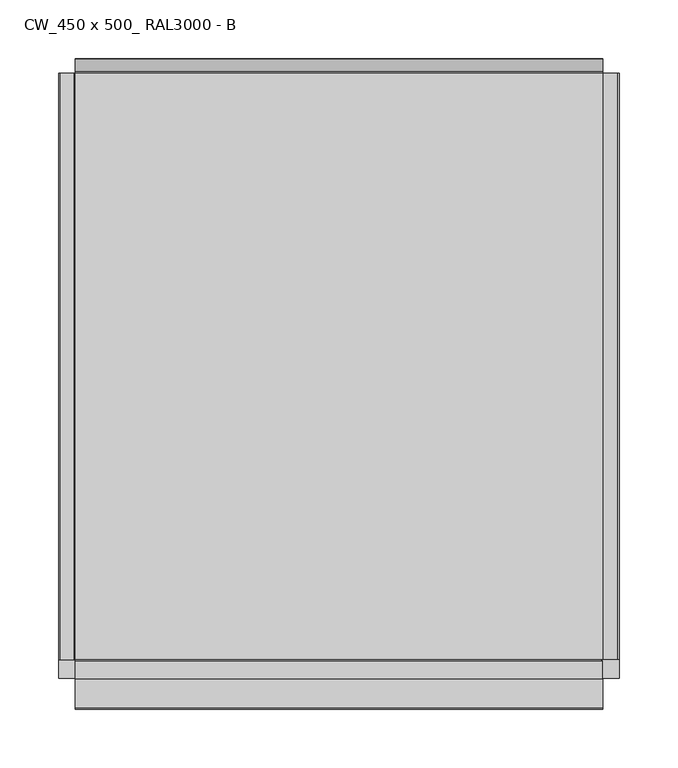
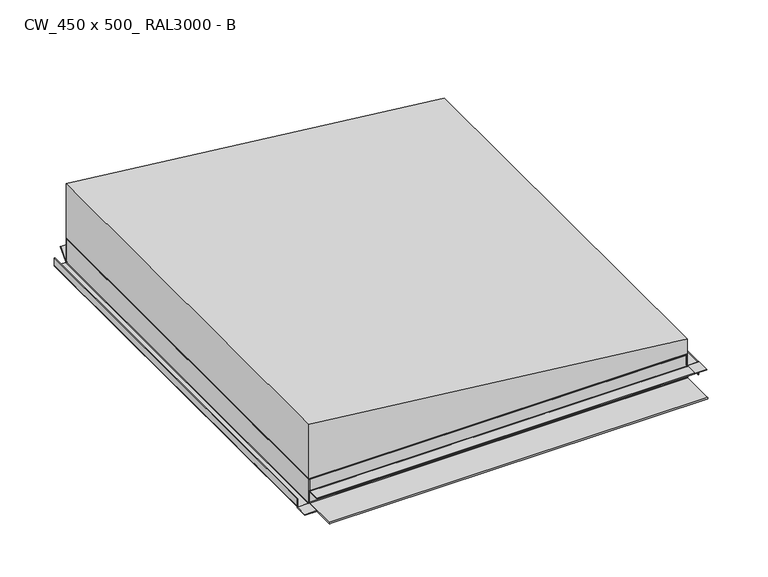
"""IFC4 building model written with IfcOpenShell, lengths in millimetres: proxy geometry, CW_450 x 500_ RAL3000 - B."""

from ifc_helpers import new_model, si_unit, frame, origin, origin_with_axes, place, context, project, spatial, polyline, circle_curve, ellipse_curve, outline, extrude, faceted_brep, source, transform, mapped, element, save
from ifc_brep_helpers import plane_surface, cylinder_surface, revolved_surface, advanced_brep


def cw_450_x_500_ral3000_b_2dae9369(model_context):
    return source(origin(), model_context, "Body", "SolidModel", [
        advanced_brep(
        [(-239.0, -250.0, 1.3), (-237.7, -250.0, 0.0), (-225.5, -250.0, 0.0), (-224.2, -250.0, 1.3), (-224.2, -250.0, 30.0), (-225.0, -250.0, 30.0), (-225.0, -250.0, 1.3), (-225.5, -250.0, 0.8), (-237.7, -250.0, 0.8), (-238.2, -250.0, 1.3), (-238.2, -250.0, 11.0), (-239.0, -250.0, 11.0), (-225.5, 250.0, 0.0), (-237.7, 250.0, 0.0), (-239.0, 250.0, 1.3), (-239.0, 250.0, 11.0), (-238.2, 250.0, 11.0), (-238.2, 250.0, 1.3), (-237.7, 250.0, 0.8), (-225.5, 250.0, 0.8), (-225.0, 250.0, 1.3), (-225.0, 250.0, 0.1), (-224.2, 249.2, 1.3), (-224.2, 249.2, 30.0), (-225.0, 249.2, 30.0), (-225.0, 249.2, 1.3)],
        [
            (0, 1, circle_curve(frame((-237.7, -250.0, 1.3), z_axis=(0.0, -1.0, 0.0), x_axis=(1.0, 0.0, 0.0)), 1.3)),
            (1, 2),
            (2, 3, circle_curve(frame((-225.5, -250.0, 1.3), z_axis=(0.0, -1.0, 0.0), x_axis=(1.0, 0.0, 0.0)), 1.3)),
            (3, 4),
            (4, 5),
            (5, 6),
            (6, 7, circle_curve(frame((-225.5, -250.0, 1.3), z_axis=(0.0, 1.0, 0.0), x_axis=(1.0, 0.0, 0.0)), 0.5)),
            (7, 8),
            (8, 9, circle_curve(frame((-237.7, -250.0, 1.3), z_axis=(0.0, 1.0, 0.0), x_axis=(1.0, 0.0, 0.0)), 0.5)),
            (9, 10),
            (10, 11),
            (11, 0),
            (12, 13),
            (13, 14, circle_curve(frame((-237.7, 250.0, 1.3), z_axis=(0.0, 1.0, 0.0), x_axis=(1.0, 0.0, 0.0)), 1.3)),
            (14, 15),
            (15, 16),
            (16, 17),
            (17, 18, circle_curve(frame((-237.7, 250.0, 1.3), z_axis=(0.0, -1.0, 0.0), x_axis=(1.0, 0.0, 0.0)), 0.5)),
            (18, 19),
            (19, 20, circle_curve(frame((-225.5, 250.0, 1.3), z_axis=(0.0, -1.0, 0.0), x_axis=(1.0, 0.0, 0.0)), 0.5)),
            (20, 21),
            (21, 12, circle_curve(frame((-225.5, 250.0, 1.3), z_axis=(0.0, 1.0, 0.0), x_axis=(1.0, 0.0, 0.0)), 1.3)),
            (1, 13),
            (12, 2),
            (21, 22, ellipse_curve(frame((-225.5, 250.5, 1.3), z_axis=(-0.7071067811865505, -0.7071067811865446, 0.0), x_axis=(0.7071067811865446, -0.7071067811865505, 0.0)), 1.8384776, 1.3)),
            (22, 3),
            (22, 23),
            (23, 4),
            (5, 24),
            (24, 25),
            (25, 6),
            (25, 20),
            (19, 7),
            (18, 8),
            (17, 9),
            (16, 10),
            (15, 11),
            (14, 0),
            (23, 24),
            (25, 21, circle_curve(frame((-225.0, 250.5, 1.3), z_axis=(1.0, 0.0, 0.0), x_axis=(0.0, 1.0, 0.0)), 1.3)),
            (25, 22),
        ],
        [
            plane_surface(frame((-236.4, -250.0, 1.3), z_axis=(0.0, -1.0, 0.0), x_axis=(0.0, 0.0, -1.0))),
            plane_surface(frame((-236.4, 250.0, 1.3), z_axis=(0.0, 1.0, 0.0), x_axis=(0.0, 0.0, 1.0))),
            plane_surface(frame((-225.5, -250.0, 0.0), z_axis=(0.0, 0.0, -1.0), x_axis=(0.0, 1.0, 0.0))),
            cylinder_surface(frame((-225.5, 250.0, 1.3), z_axis=(0.0, -1.0, 0.0), x_axis=(1.0, 0.0, 0.0)), 1.3),
            plane_surface(frame((-224.2, -250.0, 30.0), z_axis=(1.0, 0.0, 0.0), x_axis=(0.0, 1.0, 0.0))),
            plane_surface(frame((-225.0, -250.0, 1.3), z_axis=(-1.0, 0.0, 0.0), x_axis=(0.0, 1.0, 0.0))),
            revolved_surface(polyline([(-225.0, 250.0, 1.3), (-225.0, -250.0, 1.3)]), (-225.5, 250.0, 1.3), (0.0, 1.0, 0.0)),
            plane_surface(frame((-237.7, -250.0, 0.8), z_axis=(0.0, 0.0, 1.0), x_axis=(0.0, 1.0, 0.0))),
            revolved_surface(polyline([(-237.2, 250.0, 1.3), (-237.2, -250.0, 1.3)]), (-237.7, 250.0, 1.3), (0.0, 1.0, 0.0)),
            plane_surface(frame((-238.2, -250.0, 11.0), z_axis=(1.0, 0.0, 0.0), x_axis=(0.0, 1.0, 0.0))),
            plane_surface(frame((-239.0, -250.0, 11.0), z_axis=(0.0, 0.0, 1.0), x_axis=(0.0, 1.0, 0.0))),
            plane_surface(frame((-239.0, -250.0, 1.3), z_axis=(-1.0, 0.0, 0.0), x_axis=(0.0, 1.0, 0.0))),
            cylinder_surface(frame((-237.7, 250.0, 1.3), z_axis=(0.0, -1.0, 0.0), x_axis=(1.0, 0.0, 0.0)), 1.3),
            plane_surface(frame((-225.0, -250.0, 30.0), z_axis=(0.0, 0.0, 1.0), x_axis=(0.0, 1.0, 0.0))),
            plane_surface(frame((-225.0, 251.0, 1.3), z_axis=(1.0, 0.0, 0.0), x_axis=(0.0, 0.0, 1.0))),
            revolved_surface(polyline([(-226.79999997801957, 251.8, 1.3), (-224.2, 251.8, 1.3)]), (225.0, 250.5, 1.3), (-1.0, 0.0, 0.0)),
            plane_surface(frame((-225.0, 249.2, 1.3), z_axis=(0.0, 1.0, 0.0), x_axis=(1.0, 0.0, 0.0))),
        ],
        [
            (0, [[1, 2, 3, 4, 5, 6, 7, 8, 9, 10, 11, 12]]),
            (1, [[13, 14, 15, 16, 17, 18, 19, 20, 21, 22]]),
            (2, [[-2, 23, -13, 24]]),
            (3, [[-3, -24, -22, 25, 26]]),
            (4, [[-4, -26, 27, 28]]),
            (5, [[-6, 29, 30, 31]]),
            (6, [[-7, -31, 32, -20, 33]]),
            (7, [[-8, -33, -19, 34]]),
            (8, [[-9, -34, -18, 35]]),
            (9, [[-10, -35, -17, 36]]),
            (10, [[-11, -36, -16, 37]]),
            (11, [[-12, -37, -15, 38]]),
            (12, [[-1, -38, -14, -23]]),
            (13, [[-5, -28, 39, -29]]),
            (14, [[40, -21, -32]]),
            (15, [[-40, 41, -25]]),
            (16, [[-41, -30, -39, -27]]),
        ],
    ),
        extrude(outline(polyline([(-239.0, -266.0), (-239.0, -250.0), (-224.2, -250.0), (-224.2, -266.0), (-239.0, -266.0)])), origin_with_axes(), (0.0, 0.0, 1.0), 0.8),
        advanced_brep(
        [(225.5, -250.0, 15.56875), (237.7, -250.0, 15.56875), (238.2, -250.0, 15.06875), (238.2, -250.0, 0.0), (239.0, -250.0, 0.0), (239.0, -250.0, 15.06875), (237.7, -250.0, 16.36875), (225.5, -250.0, 16.36875), (225.0, -250.0, 16.86875), (225.0, -250.0, 15.66875), (225.0, 250.0, 16.86875), (225.5, 250.0, 16.36875), (237.7, 250.0, 16.36875), (239.0, 250.0, 15.06875), (239.0, 250.0, 0.0), (238.2, 250.0, 0.0), (238.2, 250.0, 15.06875), (237.7, 250.0, 15.56875), (225.5, 250.0, 15.56875), (225.0, 250.0, 15.66875), (224.2, 249.2, 30.0), (224.2, 249.2, 16.86875), (224.2, -249.2, 16.86875), (224.2, -249.2, 30.0), (225.0, -249.2, 15.66875), (225.0, 249.2, 15.66875), (225.0, 249.2, 16.86875), (225.0, -249.2, 16.86875), (225.0, 249.2, 30.0), (225.0, -249.2, 30.0)],
        [
            (0, 1),
            (1, 2, circle_curve(frame((237.7, -250.0, 15.06875), z_axis=(0.0, 1.0, 0.0), x_axis=(-1.0, 0.0, 0.0)), 0.5)),
            (2, 3),
            (3, 4),
            (4, 5),
            (5, 6, circle_curve(frame((237.7, -250.0, 15.06875), z_axis=(0.0, -1.0, 0.0), x_axis=(-1.0, 0.0, 0.0)), 1.3)),
            (6, 7),
            (7, 8, circle_curve(frame((225.5, -250.0, 16.86875), z_axis=(0.0, 1.0, 0.0), x_axis=(-1.0, 0.0, 0.0)), 0.5)),
            (8, 9),
            (9, 0, circle_curve(frame((225.5, -250.0, 16.86875), z_axis=(0.0, -1.0, 0.0), x_axis=(-1.0, 0.0, 0.0)), 1.3)),
            (10, 11, circle_curve(frame((225.5, 250.0, 16.86875), z_axis=(0.0, -1.0, 0.0), x_axis=(-1.0, 0.0, 0.0)), 0.5)),
            (11, 12),
            (12, 13, circle_curve(frame((237.7, 250.0, 15.06875), z_axis=(0.0, 1.0, 0.0), x_axis=(-1.0, 0.0, 0.0)), 1.3)),
            (13, 14),
            (14, 15),
            (15, 16),
            (16, 17, circle_curve(frame((237.7, 250.0, 15.06875), z_axis=(0.0, -1.0, 0.0), x_axis=(-1.0, 0.0, 0.0)), 0.5)),
            (17, 18),
            (18, 19, circle_curve(frame((225.5, 250.0, 16.86875), z_axis=(0.0, 1.0, 0.0), x_axis=(-1.0, 0.0, 0.0)), 1.3)),
            (19, 10),
            (20, 21),
            (21, 22),
            (22, 23),
            (23, 20),
            (18, 0),
            (9, 24),
            (24, 22, circle_curve(frame((225.5, -249.2, 16.86875), z_axis=(0.0, 1.0, 0.0), x_axis=(-1.0, 0.0, 0.0)), 1.3)),
            (21, 25, circle_curve(frame((225.5, 249.2, 16.86875), z_axis=(0.0, -1.0, 0.0), x_axis=(-1.0, 0.0, 0.0)), 1.3)),
            (25, 19),
            (17, 1),
            (16, 2),
            (15, 3),
            (14, 4),
            (13, 5),
            (12, 6),
            (11, 7),
            (10, 26),
            (26, 27),
            (27, 8),
            (26, 28),
            (28, 29),
            (29, 27),
            (28, 20),
            (23, 29),
            (25, 26),
            (27, 24),
        ],
        [
            plane_surface(frame((224.2, -250.0, 16.86875), z_axis=(0.0, -1.0, 0.0), x_axis=(0.0, 0.0, 1.0))),
            plane_surface(frame((224.2, 250.0, 16.86875), z_axis=(0.0, 1.0, 0.0), x_axis=(0.0, 0.0, -1.0))),
            plane_surface(frame((224.2, -250.0, 16.86875), z_axis=(-1.0, 0.0, 0.0), x_axis=(0.0, 1.0, 0.0))),
            cylinder_surface(frame((225.5, 250.0, 16.86875), z_axis=(0.0, -1.0, 0.0), x_axis=(-1.0, 0.0, 0.0)), 1.3),
            plane_surface(frame((237.7, -250.0, 15.56875), z_axis=(0.0, 0.0, -1.0), x_axis=(0.0, 1.0, 0.0))),
            revolved_surface(polyline([(237.2, 250.0, 15.06875), (237.2, -250.0, 15.06875)]), (237.7, 250.0, 15.06875), (0.0, 1.0, 0.0)),
            plane_surface(frame((238.2, -250.0, 0.0), z_axis=(-1.0, 0.0, 0.0), x_axis=(0.0, 1.0, 0.0))),
            plane_surface(frame((239.0, -250.0, 0.0), z_axis=(0.0, 0.0, -1.0), x_axis=(0.0, 1.0, 0.0))),
            plane_surface(frame((239.0, -250.0, 15.06875), z_axis=(1.0, 0.0, 0.0), x_axis=(0.0, 1.0, 0.0))),
            cylinder_surface(frame((237.7, 250.0, 15.06875), z_axis=(0.0, -1.0, 0.0), x_axis=(-1.0, 0.0, 0.0)), 1.3),
            plane_surface(frame((225.5, -250.0, 16.36875), z_axis=(0.0, 0.0, 1.0), x_axis=(0.0, 1.0, 0.0))),
            revolved_surface(polyline([(225.0, 250.0, 16.86875), (225.0, -250.0, 16.86875)]), (225.5, 250.0, 16.86875), (0.0, 1.0, 0.0)),
            plane_surface(frame((225.0, -250.0, 30.0), z_axis=(1.0, 0.0, 0.0), x_axis=(0.0, 1.0, 0.0))),
            plane_surface(frame((224.2, -250.0, 30.0), z_axis=(0.0, 0.0, 1.0), x_axis=(0.0, 1.0, 0.0))),
            plane_surface(frame((225.0, 251.0, 1.3), z_axis=(-1.0, 0.0, 0.0), x_axis=(0.0, 0.0, -1.0))),
            plane_surface(frame((-225.0, 249.2, 1.3), z_axis=(0.0, 1.0, 0.0), x_axis=(1.0, 0.0, 0.0))),
            plane_surface(frame((225.0, -250.5, 0.0), z_axis=(-1.0, 0.0, 0.0), x_axis=(0.0, 1.0, 0.0))),
            plane_surface(frame((-225.0, -249.2, 30.0), z_axis=(0.0, -1.0, 0.0), x_axis=(1.0, 0.0, 0.0))),
        ],
        [
            (0, [[1, 2, 3, 4, 5, 6, 7, 8, 9, 10]]),
            (1, [[11, 12, 13, 14, 15, 16, 17, 18, 19, 20]]),
            (2, [[21, 22, 23, 24]]),
            (3, [[25, -10, 26, 27, -22, 28, 29, -19]]),
            (4, [[-1, -25, -18, 30]]),
            (5, [[-2, -30, -17, 31]]),
            (6, [[-3, -31, -16, 32]]),
            (7, [[-4, -32, -15, 33]]),
            (8, [[-5, -33, -14, 34]]),
            (9, [[-6, -34, -13, 35]]),
            (10, [[-7, -35, -12, 36]]),
            (11, [[-8, -36, -11, 37, 38, 39]]),
            (12, [[40, 41, 42, -38]]),
            (13, [[43, -24, 44, -41]]),
            (14, [[45, -37, -20, -29]]),
            (15, [[-45, -28, -21, -43, -40]]),
            (16, [[46, -26, -9, -39]]),
            (17, [[-46, -42, -44, -23, -27]]),
        ],
    ),
        advanced_brep(
        [(225.0, -251.0793372, 15.56875), (225.0, -251.55, 15.9), (225.0, -266.0, 15.9), (225.0, -266.0, 16.36875), (225.0, -250.6830955, 16.36875), (225.0, -250.2609991, 15.56875), (239.0, -266.0, 15.56875), (239.0, -266.0, 16.36875), (224.2, -266.0, 15.9), (224.2, -266.0, 15.56875), (224.2, -250.0, 15.56875), (224.2, -250.0, 16.36875), (225.0, -250.0, 16.36875), (239.0, -250.0, 16.36875), (239.0, -250.0, 15.56875), (225.0, -250.0, 15.56875), (224.2, -250.6830955, 16.36875), (224.2, -251.0793372, 15.56875), (224.2, -250.2609991, 15.56875), (224.2, -251.55, 15.9)],
        [
            (0, 1, circle_curve(frame((225.0, -251.55, 15.4), z_axis=(1.0, 0.0, 0.0), x_axis=(0.0, 1.0, 0.0)), 0.5)),
            (1, 2),
            (2, 3),
            (3, 4),
            (4, 5, circle_curve(frame((225.0, -251.55, 15.4), z_axis=(-1.0, 0.0, 0.0), x_axis=(0.0, 1.0, 0.0)), 1.3)),
            (5, 0),
            (6, 7),
            (7, 3),
            (2, 8),
            (8, 9),
            (9, 6),
            (10, 11),
            (11, 12),
            (12, 13),
            (13, 14),
            (14, 15),
            (15, 10),
            (7, 13),
            (11, 16),
            (16, 4),
            (9, 17),
            (17, 0),
            (5, 18),
            (18, 10),
            (14, 6),
            (8, 19),
            (19, 17, circle_curve(frame((224.2, -251.55, 15.4), z_axis=(-1.0, 0.0, 0.0), x_axis=(0.0, 1.0, 0.0)), 0.5)),
            (19, 1),
            (16, 18, circle_curve(frame((224.2, -251.55, 15.4), z_axis=(-1.0, 0.0, 0.0), x_axis=(0.0, 1.0, 0.0)), 1.3)),
        ],
        [
            plane_surface(frame((225.0, -250.5, 0.0), z_axis=(-1.0, 0.0, 0.0), x_axis=(0.0, 1.0, 0.0))),
            plane_surface(frame((224.2, -266.0, 15.56875), z_axis=(0.0, -1.0, 0.0), x_axis=(-1.0, 0.0, 0.0))),
            plane_surface(frame((224.2, -250.0, 15.56875), z_axis=(0.0, 1.0, 0.0), x_axis=(1.0, 0.0, 0.0))),
            plane_surface(frame((224.2, -266.0, 16.36875), z_axis=(0.0, 0.0, 1.0), x_axis=(0.0, 1.0, 0.0))),
            plane_surface(frame((239.0, -266.0, 15.56875), z_axis=(0.0, 0.0, -1.0), x_axis=(0.0, 1.0, 0.0))),
            plane_surface(frame((224.2, -266.0, 15.56875), z_axis=(-1.0, 0.0, -1.0019693408305913e-12), x_axis=(0.0, 1.0, 0.0))),
            plane_surface(frame((239.0, -266.0, 16.36875), z_axis=(1.0, 0.0, 0.0), x_axis=(0.0, 1.0, 0.0))),
            cylinder_surface(frame((225.0, -251.55, 15.4), z_axis=(1.0, 0.0, 0.0), x_axis=(0.0, 1.0, 0.0)), 0.5),
            plane_surface(frame((-225.0, -251.55, 15.9), z_axis=(0.0, 0.0, 1.0), x_axis=(1.0, 0.0, 0.0))),
            revolved_surface(polyline([(224.2, -250.25, 15.4), (225.0, -250.25, 15.4)]), (225.0, -251.55, 15.4), (-1.0, 0.0, 0.0)),
        ],
        [
            (0, [[1, 2, 3, 4, 5, 6]]),
            (1, [[7, 8, -3, 9, 10, 11]]),
            (2, [[12, 13, 14, 15, 16, 17]]),
            (3, [[18, -14, -13, 19, 20, -4, -8]]),
            (4, [[-11, 21, 22, -6, 23, 24, -17, -16, 25]]),
            (5, [[-10, 26, 27, -21]]),
            (6, [[-7, -25, -15, -18]]),
            (7, [[-1, -22, -27, 28]]),
            (8, [[-2, -28, -26, -9]]),
            (9, [[-5, -20, 29, -23]]),
            (5, [[-12, -24, -29, -19]]),
        ],
    ),
        advanced_brep(
        [(-225.0, -250.5, 0.0), (-225.0, -291.65, 0.0), (-225.0, -291.65, 1.7), (-225.0, -251.55, 1.7), (-225.0, -251.05, 2.2), (-225.0, -251.05, 15.4), (-225.0, -251.55, 15.9), (-225.0, -266.25, 15.9), (-225.0, -266.25, 16.7), (-225.0, -251.55, 16.7), (-225.0, -250.25, 15.4), (-225.0, -250.25, 2.2), (-225.0, -251.55, 0.9), (-225.0, -291.65, 0.9), (-225.0, -250.5, 0.8), (-225.0, -250.0, 1.3), (-225.0, -250.0, 30.0), (-225.0, -249.2, 30.0), (-225.0, -249.2, 1.3), (225.0, -250.5, 0.0), (225.0, -249.2, 1.3), (225.0, -249.2, 15.66875), (225.0, -249.2, 16.86875), (225.0, -249.2, 30.0), (225.0, -250.0, 30.0), (225.0, -250.0, 16.86875), (225.0, -250.0, 15.66875), (225.0, -250.0, 1.3), (225.0, -250.5, 0.8), (225.0, -291.65, 0.9), (225.0, -251.55, 0.9), (225.0, -250.25, 2.2), (225.0, -250.25, 15.4), (225.0, -250.2613292, 15.5701671), (225.0, -250.682858, 16.3684525), (225.0, -251.55, 16.7), (225.0, -266.25, 16.7), (225.0, -266.25, 15.9), (225.0, -266.0, 15.9), (225.0, -251.55, 15.9), (225.0, -251.0793351, 15.5686233), (225.0, -251.05, 15.4), (225.0, -251.05, 2.2), (225.0, -251.55, 1.7), (225.0, -291.65, 1.7), (225.0, -291.65, 0.0), (224.2, -249.2, 30.0)],
        [
            (0, 1),
            (1, 2, circle_curve(frame((-225.0, -291.65, 0.85), z_axis=(-1.0, 0.0, 0.0), x_axis=(0.0, 1.0, 0.0)), 0.85)),
            (2, 3),
            (3, 4, circle_curve(frame((-225.0, -251.55, 2.2), z_axis=(1.0, 0.0, 0.0), x_axis=(0.0, 1.0, 0.0)), 0.5)),
            (4, 5),
            (5, 6, circle_curve(frame((-225.0, -251.55, 15.4), z_axis=(1.0, 0.0, 0.0), x_axis=(0.0, 1.0, 0.0)), 0.5)),
            (6, 7),
            (7, 8),
            (8, 9),
            (9, 10, circle_curve(frame((-225.0, -251.55, 15.4), z_axis=(-1.0, 0.0, 0.0), x_axis=(0.0, 1.0, 0.0)), 1.3)),
            (10, 11),
            (11, 12, circle_curve(frame((-225.0, -251.55, 2.2), z_axis=(-1.0, 0.0, 0.0), x_axis=(0.0, 1.0, 0.0)), 1.3)),
            (12, 13),
            (13, 14),
            (14, 15, circle_curve(frame((-225.0, -250.5, 1.3), z_axis=(1.0, 0.0, 0.0), x_axis=(0.0, 1.0, 0.0)), 0.5)),
            (15, 16),
            (16, 17),
            (17, 18),
            (18, 0, circle_curve(frame((-225.0, -250.5, 1.3), z_axis=(-1.0, 0.0, 0.0), x_axis=(0.0, 1.0, 0.0)), 1.3)),
            (19, 20, circle_curve(frame((225.0, -250.5, 1.3), z_axis=(1.0, 0.0, 0.0), x_axis=(0.0, 1.0, 0.0)), 1.3)),
            (20, 21),
            (21, 22),
            (22, 23),
            (23, 24),
            (24, 25),
            (25, 26),
            (26, 27),
            (27, 28, circle_curve(frame((225.0, -250.5, 1.3), z_axis=(-1.0, 0.0, 0.0), x_axis=(0.0, 1.0, 0.0)), 0.5)),
            (28, 29),
            (29, 30),
            (30, 31, circle_curve(frame((225.0, -251.55, 2.2), z_axis=(1.0, 0.0, 0.0), x_axis=(0.0, 1.0, 0.0)), 1.3)),
            (31, 32),
            (32, 33, circle_curve(frame((225.0, -251.55, 15.4), z_axis=(1.0, 0.0, 0.0), x_axis=(0.0, 1.0, 0.0)), 1.3)),
            (33, 34, circle_curve(frame((225.0, -251.55, 15.4), z_axis=(1.0, 0.0, 0.0), x_axis=(0.0, 1.0, 0.0)), 1.2998574)),
            (34, 35, circle_curve(frame((225.0, -251.55, 15.4), z_axis=(1.0, 0.0, 0.0), x_axis=(0.0, 1.0, 0.0)), 1.2999367)),
            (35, 36),
            (36, 37),
            (37, 38),
            (38, 39),
            (39, 40, circle_curve(frame((225.0, -251.55, 15.4), z_axis=(-1.0, 0.0, 0.0), x_axis=(0.0, 1.0, 0.0)), 0.5)),
            (40, 41, circle_curve(frame((225.0, -251.55, 15.4), z_axis=(-1.0, 0.0, 0.0), x_axis=(0.0, 1.0, 0.0)), 0.4999593)),
            (41, 42),
            (42, 43, circle_curve(frame((225.0, -251.55, 2.2), z_axis=(-1.0, 0.0, 0.0), x_axis=(0.0, 1.0, 0.0)), 0.5)),
            (43, 44),
            (44, 45, circle_curve(frame((225.0, -291.65, 0.85), z_axis=(1.0, 0.0, 0.0), x_axis=(0.0, 1.0, 0.0)), 0.85)),
            (45, 19),
            (17, 46),
            (46, 23),
            (20, 18),
            (19, 0),
            (45, 1),
            (44, 2),
            (43, 3),
            (42, 4),
            (41, 5),
            (39, 6),
            (37, 7),
            (36, 8),
            (35, 9),
            (32, 10),
            (31, 11),
            (30, 12),
            (29, 13),
            (28, 14),
            (27, 15),
            (24, 16),
        ],
        [
            plane_surface(frame((-225.0, -250.5, 0.0), z_axis=(-1.0, 0.0, 0.0), x_axis=(0.0, -1.0, 0.0))),
            plane_surface(frame((225.0, -250.5, 0.0), z_axis=(1.0, 0.0, 0.0), x_axis=(0.0, 1.0, 0.0))),
            plane_surface(frame((-225.0, -249.2, 30.0), z_axis=(0.0, 1.0, 0.0), x_axis=(1.0, 0.0, 0.0))),
            cylinder_surface(frame((225.0, -250.5, 1.3), z_axis=(-1.0, 0.0, 0.0), x_axis=(0.0, 1.0, 0.0)), 1.3),
            plane_surface(frame((-225.0, -250.5, 0.0), z_axis=(0.0, 0.0, -1.0), x_axis=(1.0, 0.0, 0.0))),
            cylinder_surface(frame((225.0, -291.65, 0.85), z_axis=(-1.0, 0.0, 0.0), x_axis=(0.0, 1.0, 0.0)), 0.85),
            plane_surface(frame((-225.0, -291.65, 1.7), z_axis=(0.0, 0.0, 1.0), x_axis=(1.0, 0.0, 0.0))),
            revolved_surface(polyline([(225.0, -251.05, 2.2), (-225.0, -251.05, 2.2)]), (225.0, -251.55, 2.2), (1.0, 0.0, 0.0)),
            plane_surface(frame((-225.0, -251.05, 2.2), z_axis=(0.0, -1.0, 0.0), x_axis=(1.0, 0.0, 0.0))),
            revolved_surface(polyline([(225.0, -251.05, 15.4), (-225.0, -251.05, 15.4)]), (225.0, -251.55, 15.4), (1.0, 0.0, 0.0)),
            plane_surface(frame((-225.0, -251.55, 15.9), z_axis=(0.0, 0.0, -1.0), x_axis=(1.0, 0.0, 0.0))),
            plane_surface(frame((-225.0, -266.25, 15.9), z_axis=(0.0, -1.0, 0.0), x_axis=(1.0, 0.0, 0.0))),
            plane_surface(frame((-225.0, -266.25, 16.7), z_axis=(0.0, 0.0, 1.0), x_axis=(1.0, 0.0, 0.0))),
            cylinder_surface(frame((225.0, -251.55, 15.4), z_axis=(-1.0, 0.0, 0.0), x_axis=(0.0, 1.0, 0.0)), 1.3),
            plane_surface(frame((-225.0, -250.25, 15.4), z_axis=(0.0, 1.0, 0.0), x_axis=(1.0, 0.0, 0.0))),
            cylinder_surface(frame((225.0, -251.55, 2.2), z_axis=(-1.0, 0.0, 0.0), x_axis=(0.0, 1.0, 0.0)), 1.3),
            plane_surface(frame((-225.0, -251.55, 0.9), z_axis=(0.0, 0.0, -1.0), x_axis=(1.0, 0.0, 0.0))),
            plane_surface(frame((-225.0, -291.65, 0.9), z_axis=(0.0, 0.0024301264818050315, 0.9999970472382819), x_axis=(1.0, 0.0, 0.0))),
            revolved_surface(polyline([(225.0, -250.0, 1.3), (-225.0, -250.0, 1.3)]), (225.0, -250.5, 1.3), (1.0, 0.0, 0.0)),
            plane_surface(frame((-225.0, -250.0, 1.3), z_axis=(0.0, -1.0, 0.0), x_axis=(1.0, 0.0, 0.0))),
            plane_surface(frame((-225.0, -250.0, 30.0), z_axis=(0.0, 0.0, 1.0), x_axis=(1.0, 0.0, 0.0))),
        ],
        [
            (0, [[1, 2, 3, 4, 5, 6, 7, 8, 9, 10, 11, 12, 13, 14, 15, 16, 17, 18, 19]]),
            (1, [[20, 21, 22, 23, 24, 25, 26, 27, 28, 29, 30, 31, 32, 33, 34, 35, 36, 37, 38, 39, 40, 41, 42, 43, 44, 45, 46]]),
            (2, [[-18, 47, 48, -23, -22, -21, 49]]),
            (3, [[-19, -49, -20, 50]]),
            (4, [[-1, -50, -46, 51]]),
            (5, [[-2, -51, -45, 52]]),
            (6, [[-3, -52, -44, 53]]),
            (7, [[-4, -53, -43, 54]]),
            (8, [[-5, -54, -42, 55]]),
            (9, [[-6, -55, -41, -40, 56]]),
            (10, [[-7, -56, -39, -38, 57]]),
            (11, [[-8, -57, -37, 58]]),
            (12, [[-9, -58, -36, 59]]),
            (13, [[-10, -59, -35, -34, -33, 60]]),
            (14, [[-11, -60, -32, 61]]),
            (15, [[-12, -61, -31, 62]]),
            (16, [[-13, -62, -30, 63]]),
            (17, [[-14, -63, -29, 64]]),
            (18, [[-15, -64, -28, 65]]),
            (19, [[-16, -65, -27, -26, -25, 66]]),
            (20, [[-17, -66, -24, -48, -47]]),
        ],
    ),
        advanced_brep(
        [(-225.0, 250.0, 1.3), (-225.0, 250.8830222, 0.9786062), (-225.0, 261.6344557, 13.7916657), (-225.0, 262.2472913, 13.2774356), (-225.0, 251.4958578, 0.4643761), (-225.0, 250.0002938, 0.0999209), (-225.0, 249.2, 1.3), (-225.0, 249.2, 30.0), (-225.0, 250.0, 30.0), (225.0, 250.0, 1.3), (225.0, 250.0, 15.66875), (225.0, 250.0, 16.86875), (225.0, 250.0, 30.0), (225.0, 249.2, 30.0), (225.0, 249.2, 16.86875), (225.0, 249.2, 15.66875), (225.0, 249.2, 1.3), (225.0, 251.4958578, 0.4643761), (225.0, 262.2472913, 13.2774356), (225.0, 261.6344557, 13.7916657), (225.0, 250.8830222, 0.9786062), (224.2, 249.2, 30.0), (-224.2, 249.2, 30.0)],
        [
            (0, 1, circle_curve(frame((-225.0, 250.5, 1.3), z_axis=(1.0, 0.0, 0.0), x_axis=(0.0, 1.0, 0.0)), 0.5)),
            (1, 2),
            (2, 3),
            (3, 4),
            (4, 5, circle_curve(frame((-225.0, 250.5, 1.3), z_axis=(-1.0, 0.0, 0.0), x_axis=(0.0, 1.0, 0.0)), 1.3)),
            (5, 6, circle_curve(frame((-225.0, 250.5, 1.3), z_axis=(-1.0, 0.0, 0.0), x_axis=(0.0, 1.0, 0.0)), 1.2999601)),
            (6, 7),
            (7, 8),
            (8, 0),
            (9, 10),
            (10, 11),
            (11, 12),
            (12, 13),
            (13, 14),
            (14, 15),
            (15, 16),
            (16, 17, circle_curve(frame((225.0, 250.5, 1.3), z_axis=(1.0, 0.0, 0.0), x_axis=(0.0, 1.0, 0.0)), 1.3)),
            (17, 18),
            (18, 19),
            (19, 20),
            (20, 9, circle_curve(frame((225.0, 250.5, 1.3), z_axis=(-1.0, 0.0, 0.0), x_axis=(0.0, 1.0, 0.0)), 0.5)),
            (8, 12),
            (9, 0),
            (20, 1),
            (19, 2),
            (18, 3),
            (17, 4),
            (16, 6),
            (13, 21),
            (21, 22),
            (22, 7),
        ],
        [
            plane_surface(frame((-225.0, 251.0, 1.3), z_axis=(-1.0, 0.0, 0.0), x_axis=(0.0, 0.0, 1.0))),
            plane_surface(frame((225.0, 251.0, 1.3), z_axis=(1.0, 0.0, 0.0), x_axis=(0.0, 0.0, -1.0))),
            plane_surface(frame((-225.0, 250.0, 30.0), z_axis=(0.0, 1.0, 0.0), x_axis=(1.0, 0.0, 0.0))),
            revolved_surface(polyline([(225.0, 251.0, 1.3), (-225.0, 251.0, 1.3)]), (225.0, 250.5, 1.3), (1.0, 0.0, 0.0)),
            plane_surface(frame((-225.0, 250.8830222, 0.9786062), z_axis=(0.0, -0.7660444431199621, 0.6427876096853666), x_axis=(1.0, 0.0, 0.0))),
            plane_surface(frame((-225.0, 261.6344557, 13.7916657), z_axis=(0.0, 0.6427876096850358, 0.7660444431202397), x_axis=(1.0, 0.0, 0.0))),
            plane_surface(frame((-225.0, 262.2472913, 13.2774356), z_axis=(0.0, 0.7660444431199782, -0.6427876096853474), x_axis=(1.0, 0.0, 0.0))),
            cylinder_surface(frame((225.0, 250.5, 1.3), z_axis=(-1.0, 0.0, 0.0), x_axis=(0.0, 1.0, 0.0)), 1.3),
            plane_surface(frame((-225.0, 249.2, 1.3), z_axis=(0.0, -1.0, 0.0), x_axis=(1.0, 0.0, 0.0))),
            plane_surface(frame((-225.0, 249.2, 30.0), z_axis=(0.0, 0.0, 1.0), x_axis=(1.0, 0.0, 0.0))),
        ],
        [
            (0, [[1, 2, 3, 4, 5, 6, 7, 8, 9]]),
            (1, [[10, 11, 12, 13, 14, 15, 16, 17, 18, 19, 20, 21]]),
            (2, [[-9, 22, -12, -11, -10, 23]]),
            (3, [[-1, -23, -21, 24]]),
            (4, [[-2, -24, -20, 25]]),
            (5, [[-3, -25, -19, 26]]),
            (6, [[-4, -26, -18, 27]]),
            (7, [[-6, -5, -27, -17, 28]]),
            (8, [[-7, -28, -16, -15, -14, 29, 30, 31]]),
            (9, [[-8, -31, -30, -29, -13, -22]]),
        ],
    ),
        faceted_brep([(225.0, -250.0, 31.0), (225.0, 250.0, 31.0), (-225.0, 250.0, 31.0), (-225.0, -250.0, 31.0), (225.0, -250.0, 30.0), (-224.2, -250.0, 30.0), (-225.0, -250.0, 30.0), (-225.0, -249.2, 30.0), (-225.0, 249.2, 30.0), (-225.0, 250.0, 30.0), (225.0, 250.0, 30.0), (225.0, 249.2, 30.0), (225.0, -249.2, 30.0)], [[[0, 1, 2, 3]], [[4, 5, 6, 7, 8, 9, 10, 11, 12]], [[1, 0, 4, 12, 11, 10]], [[2, 1, 10, 9]], [[3, 2, 9, 8, 7, 6]], [[0, 3, 6, 5, 4]]]),
        extrude(outline(polyline([(100.0, -225.0), (30.8, -225.0), (30.8, 225.0), (50.0, 225.0), (100.0, -225.0)])), frame((0.0, -250.0, 0.0), z_axis=(0.0, 1.0, 0.0), x_axis=(0.0, 0.0, 1.0)), (0.0, 0.0, 1.0), 500.0),
    ])


if __name__ == "__main__":
    model = new_model("IFC4")
    model_context = context("Model", 3, world=origin())
    ifc_project = project(units=[si_unit("LENGTHUNIT", "METRE", prefix="MILLI")], contexts=[model_context])
    site = spatial("IfcSite", under=ifc_project)
    building = spatial("IfcBuilding", under=site)
    placement = place(None, origin())
    cw_450_x_500_ral3000_b_shape = cw_450_x_500_ral3000_b_2dae9369(model_context)
    element("IfcBuildingElementProxy", 1, Name="CW_450 x 500_ RAL3000 - B", ObjectType="CW_450 x 500_ RAL3000 - B", at=placement, inside=building, context=model_context, shape_type="MappedRepresentation", body=[
        mapped(cw_450_x_500_ral3000_b_shape, transform((0.0, 0.0, 0.0), x_axis=(1.0, 0.0, 0.0), y_axis=(0.0, 1.0, 0.0), z_axis=(0.0, 0.0, 1.0))),
    ])
    save(model, "model.ifc")
